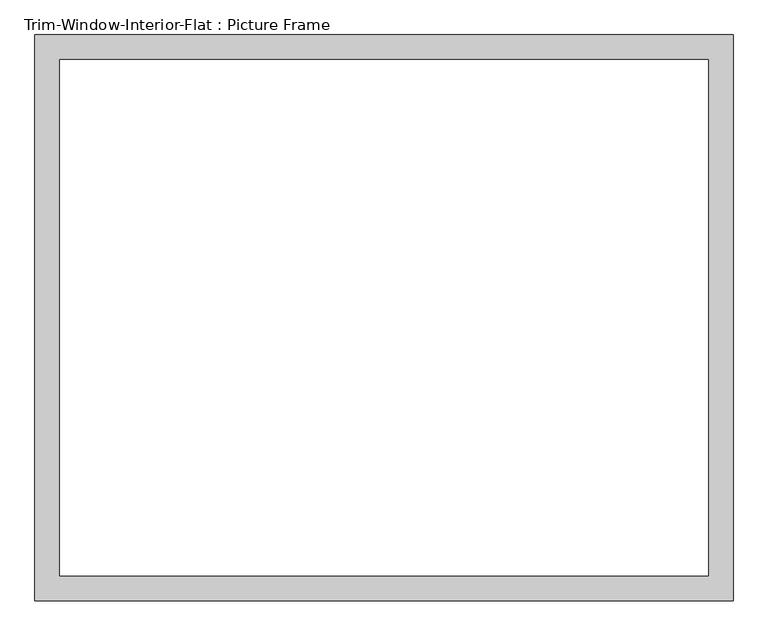
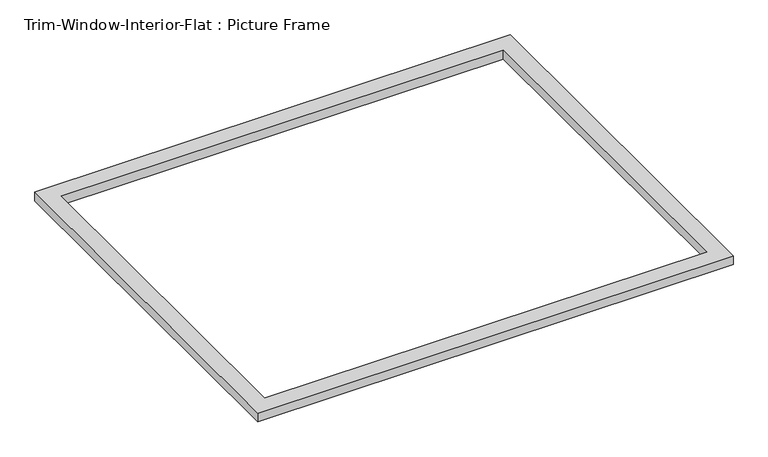
"""IFC4 building model written with IfcOpenShell, lengths in millimetres: proxy geometry, Trim-Window-Interior-Flat : Picture Frame."""

from ifc_helpers import new_model, si_unit, origin, origin_with_axes, place, context, project, spatial, polyline, outline, extrude, source, transform, mapped, element, save


def trim_window_interior_flat_picture_frame_0f2e31f9(model_context):
    return source(origin(), model_context, "Body", "SweptSolid", [
        extrude(outline(polyline([(806.45, 44.45), (806.45, -1263.65), (-806.45, -1263.65), (-806.45, 44.45), (806.45, 44.45)]), holes=[polyline([(749.3, -12.7), (-749.3, -12.7), (-749.3, -1206.5), (749.3, -1206.5), (749.3, -12.7)])]), origin_with_axes(), (0.0, 0.0, 1.0), 31.75),
    ])


if __name__ == "__main__":
    model = new_model("IFC4")
    model_context = context("Model", 3, world=origin())
    ifc_project = project(units=[si_unit("LENGTHUNIT", "METRE", prefix="MILLI")], contexts=[model_context])
    site = spatial("IfcSite", under=ifc_project)
    building = spatial("IfcBuilding", under=site)
    placement = place(None, origin())
    trim_window_interior_flat_picture_frame_shape = trim_window_interior_flat_picture_frame_0f2e31f9(model_context)
    element("IfcBuildingElementProxy", 1, Name="Trim-Window-Interior-Flat : Picture Frame", ObjectType="Trim-Window-Interior-Flat : Picture Frame", at=placement, inside=building, context=model_context, shape_type="MappedRepresentation", body=[
        mapped(trim_window_interior_flat_picture_frame_shape, transform((0.0, 0.0, 0.0), x_axis=(1.0, 0.0, 0.0), y_axis=(0.0, 1.0, 0.0), z_axis=(0.0, 0.0, 1.0))),
    ])
    save(model, "model.ifc")
